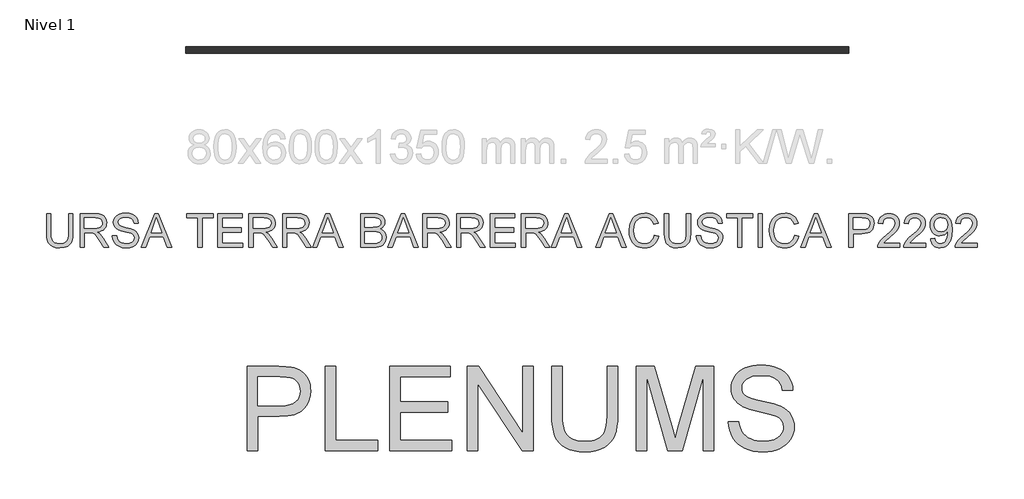
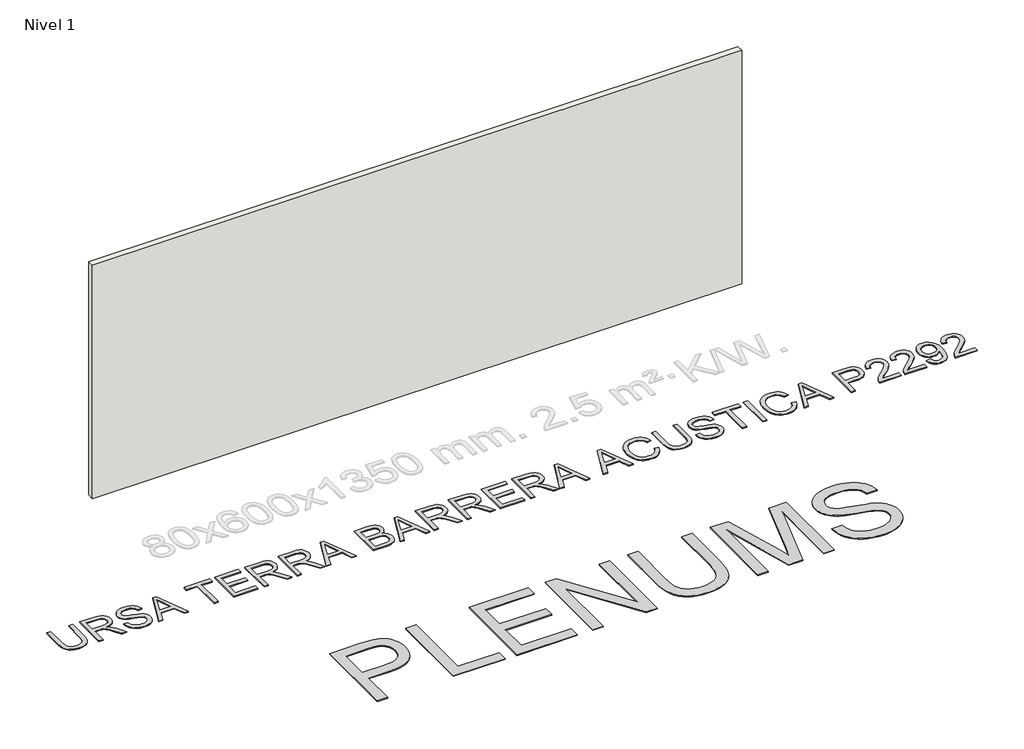
# One storey, part 1 of 2: 2 proxies, 1 wall.
"""IFC4 building model written with IfcOpenShell, lengths in millimetres."""

from ifc_helpers import new_model, si_unit, origin, origin_with_axes, place, context, project, spatial, polyline, outline, extrude, element, save

model = new_model("IFC4")

# Units and contexts
model_context = context("Model", 3, world=origin())
ifc_project = project(units=[si_unit("LENGTHUNIT", "METRE", prefix="MILLI")], contexts=[model_context])

# Site, building, storey
site = spatial("IfcSite", under=ifc_project)
building = spatial("IfcBuilding", under=site)
storey = spatial("IfcBuildingStorey", under=building, Name="Nivel 1", Elevation=0.0)

# Proxies
placement = place(None, origin())
element("IfcBuildingElementProxy", 1, Name="Texto de modelo 1", ObjectType="Texto de modelo 1", at=placement, inside=storey, context=model_context, shape_type="SweptSolid", body=[
    extrude(outline(polyline([(-1624.4306261, 2010.2457876), (-1574.202471, 2010.2457876), (-1574.202471, 1778.4310797), (-1577.6115108, 1724.14396), (-1587.8386303, 1682.3403026), (-1596.0240047, 1665.387074), (-1606.9439686, 1650.0893143), (-1636.9876649, 1624.460202), (-1656.1297914, 1614.6960007), (-1678.0432955, 1607.7215712), (-1730.184437, 1602.1420276), (-1781.1851442, 1606.99807), (-1821.958732, 1621.566197), (-1838.5134218, 1632.3665992), (-1852.5174631, 1645.3436366), (-1863.9708559, 1660.4973091), (-1872.8736002, 1677.8276168), (-1884.3147302, 1721.3971077), (-1888.1284402, 1778.4310797), (-1888.1284402, 2010.2457876), (-1837.9002852, 2010.2457876), (-1837.9002852, 1780.1969133), (-1835.4232131, 1735.0577925), (-1827.9919968, 1703.6284074), (-1814.5275157, 1681.862056), (-1793.9506495, 1665.7120364), (-1767.1197893, 1655.7056461), (-1734.8933265, 1652.3701827), (-1707.2102064, 1654.0195203), (-1683.8067801, 1658.9675331), (-1664.6830477, 1667.2142212), (-1649.8390092, 1678.7595845), (-1638.7228416, 1694.9954432), (-1630.7827219, 1717.3136176), (-1626.01865, 1745.7141076), (-1624.4306261, 1780.1969133), (-1624.4306261, 2010.2457876)])), origin_with_axes(), (0.0, 0.0, 1.0), 10.0),
    extrude(outline(polyline([(-1486.3031996, 1608.420547), (-1486.3031996, 2010.2457876), (-1313.1534072, 2010.2457876), (-1266.6163349, 2007.5357236), (-1232.7589286, 1999.4055315), (-1208.012733, 1984.3959461), (-1188.8092929, 1961.0477021), (-1176.485246, 1932.0953891), (-1172.3772304, 1900.2735965), (-1174.0786847, 1879.6354166), (-1179.1830473, 1860.6894938), (-1187.6903185, 1843.4358283), (-1199.6004981, 1827.8744199), (-1215.0668703, 1814.5019093), (-1234.2427193, 1803.8149374), (-1257.1280451, 1795.813504), (-1283.7228476, 1790.4976092), (-1255.1752048, 1769.0133006), (-1214.4629307, 1717.3136176), (-1147.4593566, 1608.420547), (-1205.8299665, 1608.420547), (-1258.1182608, 1691.7090307), (-1295.8874789, 1746.8422791), (-1309.9283084, 1762.9187222), (-1322.4240335, 1772.8883243), (-1346.3118377, 1782.4532562), (-1375.4480918, 1784.2190898), (-1436.0750446, 1784.2190898), (-1436.0750446, 1608.420547), (-1486.3031996, 1608.420547)]), holes=[polyline([(-1436.0750446, 1834.4472448), (-1323.6503068, 1834.4472448), (-1291.3625304, 1836.2253412), (-1266.3097665, 1841.5596301), (-1247.4496829, 1850.8057309), (-1233.7399472, 1864.3192629), (-1225.3890259, 1880.6654862), (-1222.6053855, 1898.4096611), (-1227.915149, 1922.910602), (-1243.8444394, 1942.6536024), (-1256.006005, 1950.2503656), (-1271.251648, 1955.676625), (-1310.9951662, 1960.0176325), (-1436.0750446, 1960.0176325), (-1436.0750446, 1834.4472448)])]), origin_with_axes(), (0.0, 0.0, 1.0), 10.0),
    extrude(outline(polyline([(-1103.3135172, 1746.5479735), (-1053.0853621, 1746.5479735), (-1047.3218775, 1718.674781), (-1036.8985543, 1696.2707675), (-1020.6381702, 1678.4898044), (-997.3635026, 1664.4857631), (-968.9139616, 1655.3990778), (-937.1289572, 1652.3701827), (-909.1454001, 1654.6633138), (-884.6444593, 1661.5427071), (-864.7910943, 1672.4320142), (-850.7502648, 1686.7548865), (-842.3993435, 1703.1992117), (-839.6157031, 1720.4528773), (-841.7003677, 1737.2650845), (-847.9543616, 1751.7964233), (-860.6585532, 1764.1940465), (-882.0938108, 1774.605107), (-955.2287514, 1793.7840216), (-1003.2373518, 1806.4759505), (-1033.9554984, 1818.5547427), (-1058.9592113, 1835.452789), (-1076.6788607, 1855.9315534), (-1087.237074, 1879.5495775), (-1090.7564784, 1905.8654028), (-1086.4032082, 1935.2836997), (-1073.3433973, 1962.7154338), (-1051.9204025, 1985.9655759), (-1022.4775801, 2002.8390968), (-987.1363831, 2013.1030044), (-948.0182643, 2016.524307), (-905.6382585, 2012.9435889), (-868.5557533, 2002.2014346), (-838.0951241, 1984.5185734), (-815.580746, 1960.1157344), (-801.3314501, 1930.5134965), (-795.6660674, 1897.2324387), (-845.8942224, 1897.2324387), (-855.1157978, 1927.2025586), (-863.4789818, 1939.0606215), (-874.3437634, 1948.8340199), (-904.3874597, 1961.9306189), (-946.056227, 1966.2961519), (-988.706013, 1961.9796698), (-1005.0093167, 1956.5840672), (-1017.9648943, 1949.0302236), (-1034.8874661, 1929.9739363), (-1040.5283234, 1907.3369308), (-1036.5306723, 1888.0353888), (-1024.5377193, 1872.5107686), (-996.1862802, 1858.6293547), (-942.5245598, 1844.4536351), (-887.1460568, 1830.9891541), (-853.6442698, 1819.2414557), (-825.0107878, 1801.0190342), (-805.0347955, 1778.5291816), (-793.2993599, 1752.0171525), (-789.387548, 1721.7282015), (-793.8879711, 1690.7648003), (-807.3892403, 1661.640809), (-829.3395327, 1636.5757824), (-859.1870252, 1617.7892752), (-895.0800452, 1606.0538395), (-935.1669199, 1602.1420276), (-984.3772682, 1606.3604078), (-1024.8810758, 1619.0155485), (-1057.1443268, 1640.1565005), (-1081.633005, 1669.8323147), (-1097.3538289, 1705.9828521), (-1103.3135172, 1746.5479735)])), origin_with_axes(), (0.0, 0.0, 1.0), 10.0),
    extrude(outline(polyline([(-760.8399052, 1608.420547), (-600.4433553, 2010.2457876), (-557.670942, 2010.2457876), (-397.2743921, 1608.420547), (-450.3475012, 1608.420547), (-496.3572761, 1733.9909347), (-661.855123, 1733.9909347), (-707.766796, 1608.420547), (-760.8399052, 1608.420547)]), holes=[polyline([(-643.4119723, 1784.2190898), (-514.7023249, 1784.2190898), (-550.9019132, 1883.0076682), (-579.0571486, 1960.0176325), (-604.0731243, 1891.6406324), (-643.4119723, 1784.2190898)])]), origin_with_axes(), (0.0, 0.0, 1.0), 10.0),
    extrude(outline(polyline([(-86.1933769, 1608.420547), (-86.1933769, 1960.0176325), (-218.042284, 1960.0176325), (-218.042284, 2010.2457876), (95.8836852, 2010.2457876), (95.8836852, 1960.0176325), (-35.9652219, 1960.0176325), (-35.9652219, 1608.420547), (-86.1933769, 1608.420547)])), origin_with_axes(), (0.0, 0.0, 1.0), 10.0),
    extrude(outline(polyline([(152.3903597, 1608.420547), (152.3903597, 2010.2457876), (441.2022513, 2010.2457876), (441.2022513, 1960.0176325), (202.6185147, 1960.0176325), (202.6185147, 1840.7257642), (428.6452126, 1840.7257642), (428.6452126, 1790.4976092), (202.6185147, 1790.4976092), (202.6185147, 1658.6487021), (447.4807707, 1658.6487021), (447.4807707, 1608.420547), (152.3903597, 1608.420547)])), origin_with_axes(), (0.0, 0.0, 1.0), 10.0),
    extrude(outline(polyline([(522.8230033, 1608.420547), (522.8230033, 2010.2457876), (695.9727957, 2010.2457876), (742.5098681, 2007.5357236), (776.3672744, 1999.4055315), (801.11347, 1984.3959461), (820.3169101, 1961.0477021), (832.640957, 1932.0953891), (836.7489726, 1900.2735965), (835.0475183, 1879.6354166), (829.9431557, 1860.6894938), (821.4358845, 1843.4358283), (809.5257049, 1827.8744199), (794.0593327, 1814.5019093), (774.8834837, 1803.8149374), (751.9981579, 1795.813504), (725.4033554, 1790.4976092), (753.9509982, 1769.0133006), (794.6632723, 1717.3136176), (861.6668464, 1608.420547), (803.2962365, 1608.420547), (751.0079422, 1691.7090307), (713.238724, 1746.8422791), (699.1978946, 1762.9187222), (686.7021695, 1772.8883243), (662.8143652, 1782.4532562), (633.6781112, 1784.2190898), (573.0511584, 1784.2190898), (573.0511584, 1608.420547), (522.8230033, 1608.420547)]), holes=[polyline([(573.0511584, 1834.4472448), (685.4758961, 1834.4472448), (717.7636726, 1836.2253412), (742.8164365, 1841.5596301), (761.6765201, 1850.8057309), (775.3862558, 1864.3192629), (783.7371771, 1880.6654862), (786.5208175, 1898.4096611), (781.211054, 1922.910602), (765.2817636, 1942.6536024), (753.120198, 1950.2503656), (737.874555, 1955.676625), (698.1310368, 1960.0176325), (573.0511584, 1960.0176325), (573.0511584, 1834.4472448)])]), origin_with_axes(), (0.0, 0.0, 1.0), 10.0),
    extrude(outline(polyline([(924.6482439, 1608.420547), (924.6482439, 2010.2457876), (1097.7980363, 2010.2457876), (1144.3351087, 2007.5357236), (1178.192515, 1999.4055315), (1202.9387106, 1984.3959461), (1222.1421507, 1961.0477021), (1234.4661975, 1932.0953891), (1238.5742132, 1900.2735965), (1236.8727589, 1879.6354166), (1231.7683963, 1860.6894938), (1223.2611251, 1843.4358283), (1211.3509455, 1827.8744199), (1195.8845733, 1814.5019093), (1176.7087243, 1803.8149374), (1153.8233985, 1795.813504), (1127.228596, 1790.4976092), (1155.7762388, 1769.0133006), (1196.4885129, 1717.3136176), (1263.492087, 1608.420547), (1205.1214771, 1608.420547), (1152.8331828, 1691.7090307), (1115.0639646, 1746.8422791), (1101.0231352, 1762.9187222), (1088.5274101, 1772.8883243), (1064.6396058, 1782.4532562), (1035.5033518, 1784.2190898), (974.876399, 1784.2190898), (974.876399, 1608.420547), (924.6482439, 1608.420547)]), holes=[polyline([(974.876399, 1834.4472448), (1087.3011367, 1834.4472448), (1119.5889132, 1836.2253412), (1144.6416771, 1841.5596301), (1163.5017607, 1850.8057309), (1177.2114964, 1864.3192629), (1185.5624177, 1880.6654862), (1188.3460581, 1898.4096611), (1183.0362946, 1922.910602), (1167.1070042, 1942.6536024), (1154.9454386, 1950.2503656), (1139.6997956, 1955.676625), (1099.9562774, 1960.0176325), (974.876399, 1960.0176325), (974.876399, 1834.4472448)])]), origin_with_axes(), (0.0, 0.0, 1.0), 10.0),
    extrude(outline(polyline([(1279.6788948, 1608.420547), (1440.0754447, 2010.2457876), (1482.847858, 2010.2457876), (1643.2444079, 1608.420547), (1590.1712987, 1608.420547), (1544.1615238, 1733.9909347), (1378.6636769, 1733.9909347), (1332.7520039, 1608.420547), (1279.6788948, 1608.420547)]), holes=[polyline([(1397.1068276, 1784.2190898), (1525.816475, 1784.2190898), (1489.6168867, 1883.0076682), (1461.4616513, 1960.0176325), (1436.4456756, 1891.6406324), (1397.1068276, 1784.2190898)])]), origin_with_axes(), (0.0, 0.0, 1.0), 10.0),
    extrude(outline(polyline([(1853.8691128, 1608.420547), (1853.8691128, 2010.2457876), (2007.2023284, 2010.2457876), (2049.3738678, 2007.2904689), (2082.2993064, 1998.4245128), (2107.5360112, 1983.4271902), (2126.6413495, 1962.0777717), (2138.6710908, 1936.9636942), (2142.6810045, 1910.6723942), (2139.3087529, 1886.4780217), (2129.191998, 1863.7306517), (2112.2571635, 1843.8282357), (2088.430673, 1828.1687255), (2116.8924766, 1813.3062929), (2137.923064, 1790.6938129), (2150.9092985, 1761.827339), (2155.2380433, 1728.2029246), (2152.2827246, 1700.1825793), (2143.4167685, 1674.1978477), (2130.1852794, 1652.1004026), (2114.1333617, 1635.7419165), (2094.4762004, 1623.8961163), (2070.4289807, 1615.3367285), (2041.2068875, 1610.1495924), (2006.025106, 1608.420547), (1853.8691128, 1608.420547)]), holes=[polyline([(1904.0972679, 1847.0042836), (1995.822512, 1847.0042836), (2049.3861305, 1851.3207657), (2068.1358496, 1858.7642447), (2081.6125933, 1869.9110692), (2089.7427854, 1884.5895608), (2092.4528494, 1902.6280413), (2089.9267264, 1920.1392243), (2082.3483573, 1935.3940643), (2070.0610987, 1947.3011782), (2053.408307, 1954.7691827), (2027.8527711, 1958.7055201), (1988.8572796, 1960.0176325), (1904.0972679, 1960.0176325), (1904.0972679, 1847.0042836)]), polyline([(1904.0972679, 1658.6487021), (2007.1042266, 1658.6487021), (2044.3829354, 1660.6107394), (2075.9226851, 1671.5490974), (2087.4987052, 1680.9791392), (2096.8183824, 1693.8672718), (2102.9620118, 1709.6371466), (2105.0098882, 1727.7124153), (2102.6063925, 1748.7062145), (2095.3959054, 1766.7569577), (2082.8020784, 1780.8713636), (2064.2485631, 1790.0561508), (2037.9695259, 1795.0961341), (2002.1991333, 1796.7761285), (1904.0972679, 1796.7761285), (1904.0972679, 1658.6487021)])]), origin_with_axes(), (0.0, 0.0, 1.0), 10.0),
    extrude(outline(polyline([(2177.5071667, 1608.420547), (2337.9037166, 2010.2457876), (2380.6761299, 2010.2457876), (2541.0726798, 1608.420547), (2487.9995706, 1608.420547), (2441.9897958, 1733.9909347), (2276.4919489, 1733.9909347), (2230.5802759, 1608.420547), (2177.5071667, 1608.420547)]), holes=[polyline([(2294.9350996, 1784.2190898), (2423.644747, 1784.2190898), (2387.4451586, 1883.0076682), (2359.2899233, 1960.0176325), (2334.2739476, 1891.6406324), (2294.9350996, 1784.2190898)])]), origin_with_axes(), (0.0, 0.0, 1.0), 10.0),
    extrude(outline(polyline([(2594.7344002, 1608.420547), (2594.7344002, 2010.2457876), (2767.8841926, 2010.2457876), (2814.421265, 2007.5357236), (2848.2786713, 1999.4055315), (2873.0248668, 1984.3959461), (2892.2283069, 1961.0477021), (2904.5523538, 1932.0953891), (2908.6603694, 1900.2735965), (2906.9589152, 1879.6354166), (2901.8545525, 1860.6894938), (2893.3472814, 1843.4358283), (2881.4371018, 1827.8744199), (2865.9707295, 1814.5019093), (2846.7948805, 1803.8149374), (2823.9095548, 1795.813504), (2797.3147522, 1790.4976092), (2825.862395, 1769.0133006), (2866.5746692, 1717.3136176), (2933.5782432, 1608.420547), (2875.2076333, 1608.420547), (2822.9193391, 1691.7090307), (2785.1501209, 1746.8422791), (2771.1092914, 1762.9187222), (2758.6135663, 1772.8883243), (2734.7257621, 1782.4532562), (2705.5895081, 1784.2190898), (2644.9625553, 1784.2190898), (2644.9625553, 1608.420547), (2594.7344002, 1608.420547)]), holes=[polyline([(2644.9625553, 1834.4472448), (2757.387293, 1834.4472448), (2789.6750694, 1836.2253412), (2814.7278333, 1841.5596301), (2833.5879169, 1850.8057309), (2847.2976526, 1864.3192629), (2855.6485739, 1880.6654862), (2858.4322143, 1898.4096611), (2853.1224509, 1922.910602), (2837.1931605, 1942.6536024), (2825.0315948, 1950.2503656), (2809.7859518, 1955.676625), (2770.0424336, 1960.0176325), (2644.9625553, 1960.0176325), (2644.9625553, 1834.4472448)])]), origin_with_axes(), (0.0, 0.0, 1.0), 10.0),
    extrude(outline(polyline([(2996.5596408, 1608.420547), (2996.5596408, 2010.2457876), (3169.7094332, 2010.2457876), (3216.2465056, 2007.5357236), (3250.1039119, 1999.4055315), (3274.8501074, 1984.3959461), (3294.0535475, 1961.0477021), (3306.3775944, 1932.0953891), (3310.48561, 1900.2735965), (3308.7841558, 1879.6354166), (3303.6797931, 1860.6894938), (3295.1725219, 1843.4358283), (3283.2623424, 1827.8744199), (3267.7959701, 1814.5019093), (3248.6201211, 1803.8149374), (3225.7347954, 1795.813504), (3199.1399928, 1790.4976092), (3227.6876356, 1769.0133006), (3268.3999097, 1717.3136176), (3335.4034838, 1608.420547), (3277.0328739, 1608.420547), (3224.7445797, 1691.7090307), (3186.9753615, 1746.8422791), (3172.934532, 1762.9187222), (3160.4388069, 1772.8883243), (3136.5510027, 1782.4532562), (3107.4147487, 1784.2190898), (3046.7877959, 1784.2190898), (3046.7877959, 1608.420547), (2996.5596408, 1608.420547)]), holes=[polyline([(3046.7877959, 1834.4472448), (3159.2125336, 1834.4472448), (3191.50031, 1836.2253412), (3216.5530739, 1841.5596301), (3235.4131575, 1850.8057309), (3249.1228932, 1864.3192629), (3257.4738145, 1880.6654862), (3260.2574549, 1898.4096611), (3254.9476915, 1922.910602), (3239.0184011, 1942.6536024), (3226.8568354, 1950.2503656), (3211.6111924, 1955.676625), (3171.8676742, 1960.0176325), (3046.7877959, 1960.0176325), (3046.7877959, 1834.4472448)])]), origin_with_axes(), (0.0, 0.0, 1.0), 10.0),
    extrude(outline(polyline([(3398.3848814, 1608.420547), (3398.3848814, 2010.2457876), (3687.1967731, 2010.2457876), (3687.1967731, 1960.0176325), (3448.6130365, 1960.0176325), (3448.6130365, 1840.7257642), (3674.6397343, 1840.7257642), (3674.6397343, 1790.4976092), (3448.6130365, 1790.4976092), (3448.6130365, 1658.6487021), (3693.4752924, 1658.6487021), (3693.4752924, 1608.420547), (3398.3848814, 1608.420547)])), origin_with_axes(), (0.0, 0.0, 1.0), 10.0),
    extrude(outline(polyline([(3768.8175251, 1608.420547), (3768.8175251, 2010.2457876), (3941.9673175, 2010.2457876), (3988.5043898, 2007.5357236), (4022.3617961, 1999.4055315), (4047.1079917, 1984.3959461), (4066.3114318, 1961.0477021), (4078.6354787, 1932.0953891), (4082.7434943, 1900.2735965), (4081.04204, 1879.6354166), (4075.9376774, 1860.6894938), (4067.4304062, 1843.4358283), (4055.5202266, 1827.8744199), (4040.0538544, 1814.5019093), (4020.8780054, 1803.8149374), (3997.9926796, 1795.813504), (3971.3978771, 1790.4976092), (3999.9455199, 1769.0133006), (4040.657794, 1717.3136176), (4107.6613681, 1608.420547), (4049.2907582, 1608.420547), (3997.0024639, 1691.7090307), (3959.2332458, 1746.8422791), (3945.1924163, 1762.9187222), (3932.6966912, 1772.8883243), (3908.808887, 1782.4532562), (3879.6726329, 1784.2190898), (3819.0456801, 1784.2190898), (3819.0456801, 1608.420547), (3768.8175251, 1608.420547)]), holes=[polyline([(3819.0456801, 1834.4472448), (3931.4704179, 1834.4472448), (3963.7581943, 1836.2253412), (3988.8109582, 1841.5596301), (4007.6710418, 1850.8057309), (4021.3807775, 1864.3192629), (4029.7316988, 1880.6654862), (4032.5153392, 1898.4096611), (4027.2055757, 1922.910602), (4011.2762853, 1942.6536024), (3999.1147197, 1950.2503656), (3983.8690767, 1955.676625), (3944.1255585, 1960.0176325), (3819.0456801, 1960.0176325), (3819.0456801, 1834.4472448)])]), origin_with_axes(), (0.0, 0.0, 1.0), 10.0),
    extrude(outline(polyline([(4123.8481759, 1608.420547), (4284.2447258, 2010.2457876), (4327.0171391, 2010.2457876), (4487.413689, 1608.420547), (4434.3405798, 1608.420547), (4388.3308049, 1733.9909347), (4222.832958, 1733.9909347), (4176.921285, 1608.420547), (4123.8481759, 1608.420547)]), holes=[polyline([(4241.2761087, 1784.2190898), (4369.9857561, 1784.2190898), (4333.7861678, 1883.0076682), (4305.6309324, 1960.0176325), (4280.6149567, 1891.6406324), (4241.2761087, 1784.2190898)])]), origin_with_axes(), (0.0, 0.0, 1.0), 10.0),
    extrude(outline(polyline([(4651.2438042, 1608.420547), (4811.640354, 2010.2457876), (4854.4127674, 2010.2457876), (5014.8093173, 1608.420547), (4961.7362081, 1608.420547), (4915.7264332, 1733.9909347), (4750.2285863, 1733.9909347), (4704.3169133, 1608.420547), (4651.2438042, 1608.420547)]), holes=[polyline([(4768.671737, 1784.2190898), (4897.3813844, 1784.2190898), (4861.1817961, 1883.0076682), (4833.0265607, 1960.0176325), (4808.010585, 1891.6406324), (4768.671737, 1784.2190898)])]), origin_with_axes(), (0.0, 0.0, 1.0), 10.0),
    extrude(outline(polyline([(5351.0044099, 1751.256863), (5401.232565, 1738.3074168), (5391.2936198, 1707.0711697), (5378.0559993, 1679.7773913), (5361.5197036, 1656.4260817), (5341.6847327, 1637.0172408), (5318.9986763, 1621.759335), (5293.9091243, 1610.8608309), (5266.4160765, 1604.3217284), (5236.519533, 1602.1420276), (5205.8902912, 1603.7913652), (5178.2592877, 1608.7393781), (5153.6265224, 1616.9860661), (5131.9919954, 1628.5314294), (5113.0583354, 1643.2037897), (5096.5281711, 1660.8314686), (5082.4015025, 1681.4144662), (5070.6783296, 1704.9527825), (5054.896192, 1756.8241439), (5049.6354795, 1812.3743251), (5055.5829051, 1870.9656642), (5063.017187, 1897.2630955), (5073.4251818, 1921.5617013), (5086.5738975, 1943.4598771), (5102.230342, 1962.5560183), (5120.3945156, 1978.850125), (5141.066418, 1992.3421972), (5163.5440079, 2002.9218702), (5187.1252438, 2010.4787795), (5237.5986535, 2016.524307), (5266.3271717, 2014.568401), (5292.6705882, 2008.7006832), (5316.6289031, 1998.9211535), (5338.2021165, 1985.2298119), (5357.0346089, 1967.9884091), (5372.7707613, 1947.5586956), (5385.4105735, 1923.9406715), (5394.9540456, 1897.1343368), (5344.7258905, 1885.1659092), (5327.3128094, 1921.7946932), (5303.5231071, 1946.9210335), (5273.0624779, 1961.4523723), (5235.6366162, 1966.2961519), (5192.4963209, 1960.9250748), (5173.8140469, 1954.2112284), (5157.0570221, 1944.8118434), (5130.1648482, 1919.6487149), (5112.665928, 1887.1279466), (5103.0642079, 1850.3642725), (5099.8636345, 1812.472427), (5103.6528191, 1766.0702447), (5115.0203727, 1725.9465817), (5134.3954912, 1693.6342798), (5162.20737, 1670.6661806), (5195.5497415, 1656.9441822), (5231.5163379, 1652.3701827), (5253.3532, 1653.9275498), (5273.4426226, 1658.5996512), (5291.7846057, 1666.3864867), (5308.3791494, 1677.2880565), (5322.8338461, 1691.2553096), (5334.7562885, 1708.239195), (5344.1464764, 1728.2397128), (5351.0044099, 1751.256863)])), origin_with_axes(), (0.0, 0.0, 1.0), 10.0),
    extrude(outline(polyline([(5733.9940924, 2010.2457876), (5784.2222474, 2010.2457876), (5784.2222474, 1778.4310797), (5780.8132076, 1724.14396), (5770.5860881, 1682.3403026), (5762.4007138, 1665.387074), (5751.4807499, 1650.0893143), (5721.4370536, 1624.460202), (5702.2949271, 1614.6960007), (5680.3814229, 1607.7215712), (5628.2402815, 1602.1420276), (5577.2395742, 1606.99807), (5536.4659864, 1621.566197), (5519.9112966, 1632.3665992), (5505.9072553, 1645.3436366), (5494.4538626, 1660.4973091), (5485.5511183, 1677.8276168), (5474.1099882, 1721.3971077), (5470.2962782, 1778.4310797), (5470.2962782, 2010.2457876), (5520.5244333, 2010.2457876), (5520.5244333, 1780.1969133), (5523.0015054, 1735.0577925), (5530.4327217, 1703.6284074), (5543.8972027, 1681.862056), (5564.474069, 1665.7120364), (5591.3049292, 1655.7056461), (5623.5313919, 1652.3701827), (5651.2145121, 1654.0195203), (5674.6179383, 1658.9675331), (5693.7416707, 1667.2142212), (5708.5857092, 1678.7595845), (5719.7018768, 1694.9954432), (5727.6419966, 1717.3136176), (5732.4060684, 1745.7141076), (5733.9940924, 1780.1969133), (5733.9940924, 2010.2457876)])), origin_with_axes(), (0.0, 0.0, 1.0), 10.0),
    extrude(outline(polyline([(5853.2859607, 1746.5479735), (5903.5141157, 1746.5479735), (5909.2776003, 1718.674781), (5919.7009235, 1696.2707675), (5935.9613077, 1678.4898044), (5959.2359753, 1664.4857631), (5987.6855162, 1655.3990778), (6019.4705206, 1652.3701827), (6047.4540777, 1654.6633138), (6071.9550186, 1661.5427071), (6091.8083836, 1672.4320142), (6105.8492131, 1686.7548865), (6114.2001344, 1703.1992117), (6116.9837748, 1720.4528773), (6114.8991102, 1737.2650845), (6108.6451162, 1751.7964233), (6095.9409247, 1764.1940465), (6074.5056671, 1774.605107), (6001.3707265, 1793.7840216), (5953.3621261, 1806.4759505), (5922.6439795, 1818.5547427), (5897.6402665, 1835.452789), (5879.9206171, 1855.9315534), (5869.3624038, 1879.5495775), (5865.8429994, 1905.8654028), (5870.1962697, 1935.2836997), (5883.2560805, 1962.7154338), (5904.6790754, 1985.9655759), (5934.1218977, 2002.8390968), (5969.4630947, 2013.1030044), (6008.5812136, 2016.524307), (6050.9612194, 2012.9435889), (6088.0437245, 2002.2014346), (6118.5043537, 1984.5185734), (6141.0187318, 1960.1157344), (6155.2680278, 1930.5134965), (6160.9334105, 1897.2324387), (6110.7052554, 1897.2324387), (6101.4836801, 1927.2025586), (6093.120496, 1939.0606215), (6082.2557145, 1948.8340199), (6052.2120182, 1961.9306189), (6010.5432509, 1966.2961519), (5967.8934649, 1961.9796698), (5951.5901611, 1956.5840672), (5938.6345835, 1949.0302236), (5921.7120118, 1929.9739363), (5916.0711545, 1907.3369308), (5920.0688055, 1888.0353888), (5932.0617586, 1872.5107686), (5960.4131977, 1858.6293547), (6014.074918, 1844.4536351), (6069.453421, 1830.9891541), (6102.9552081, 1819.2414557), (6131.58869, 1801.0190342), (6151.5646823, 1778.5291816), (6163.300118, 1752.0171525), (6167.2119299, 1721.7282015), (6162.7115068, 1690.7648003), (6149.2102376, 1661.640809), (6127.2599452, 1636.5757824), (6097.4124527, 1617.7892752), (6061.5194327, 1606.0538395), (6021.4325579, 1602.1420276), (5972.2222097, 1606.3604078), (5931.718402, 1619.0155485), (5899.4551511, 1640.1565005), (5874.9664729, 1669.8323147), (5859.245649, 1705.9828521), (5853.2859607, 1746.5479735)])), origin_with_axes(), (0.0, 0.0, 1.0), 10.0),
    extrude(outline(polyline([(6343.0104726, 1608.420547), (6343.0104726, 1960.0176325), (6211.1615656, 1960.0176325), (6211.1615656, 2010.2457876), (6525.0875348, 2010.2457876), (6525.0875348, 1960.0176325), (6393.2386277, 1960.0176325), (6393.2386277, 1608.420547), (6343.0104726, 1608.420547)])), origin_with_axes(), (0.0, 0.0, 1.0), 10.0),
    extrude(outline(polyline([(6587.8727286, 1608.420547), (6587.8727286, 2010.2457876), (6638.1008837, 2010.2457876), (6638.1008837, 1608.420547), (6587.8727286, 1608.420547)])), origin_with_axes(), (0.0, 0.0, 1.0), 10.0),
    extrude(outline(polyline([(7021.0905661, 1751.256863), (7071.3187212, 1738.3074168), (7061.379776, 1707.0711697), (7048.1421555, 1679.7773913), (7031.6058598, 1656.4260817), (7011.7708889, 1637.0172408), (6989.0848326, 1621.759335), (6963.9952805, 1610.8608309), (6936.5022327, 1604.3217284), (6906.6056893, 1602.1420276), (6875.9764475, 1603.7913652), (6848.3454439, 1608.7393781), (6823.7126787, 1616.9860661), (6802.0781517, 1628.5314294), (6783.1444917, 1643.2037897), (6766.6143274, 1660.8314686), (6752.4876587, 1681.4144662), (6740.7644858, 1704.9527825), (6724.9823482, 1756.8241439), (6719.7216357, 1812.3743251), (6725.6690613, 1870.9656642), (6733.1033433, 1897.2630955), (6743.5113381, 1921.5617013), (6756.6600537, 1943.4598771), (6772.3164983, 1962.5560183), (6790.4806718, 1978.850125), (6811.1525742, 1992.3421972), (6833.6301641, 2002.9218702), (6857.2114, 2010.4787795), (6907.6848098, 2016.524307), (6936.4133279, 2014.568401), (6962.7567444, 2008.7006832), (6986.7150594, 1998.9211535), (7008.2882727, 1985.2298119), (7027.1207652, 1967.9884091), (7042.8569175, 1947.5586956), (7055.4967297, 1923.9406715), (7065.0402018, 1897.1343368), (7014.8120468, 1885.1659092), (6997.3989657, 1921.7946932), (6973.6092633, 1946.9210335), (6943.1486341, 1961.4523723), (6905.7227725, 1966.2961519), (6862.5824772, 1960.9250748), (6843.9002032, 1954.2112284), (6827.1431783, 1944.8118434), (6800.2510044, 1919.6487149), (6782.7520842, 1887.1279466), (6773.1503641, 1850.3642725), (6769.9497908, 1812.472427), (6773.7389753, 1766.0702447), (6785.106529, 1725.9465817), (6804.4816474, 1693.6342798), (6832.2935262, 1670.6661806), (6865.6358977, 1656.9441822), (6901.6024941, 1652.3701827), (6923.4393562, 1653.9275498), (6943.5287788, 1658.5996512), (6961.870762, 1666.3864867), (6978.4653056, 1677.2880565), (6992.9200024, 1691.2553096), (7004.8424447, 1708.239195), (7014.2326326, 1728.2397128), (7021.0905661, 1751.256863)])), origin_with_axes(), (0.0, 0.0, 1.0), 10.0),
    extrude(outline(polyline([(7093.5878447, 1608.420547), (7253.9843946, 2010.2457876), (7296.7568079, 2010.2457876), (7457.1533578, 1608.420547), (7404.0802486, 1608.420547), (7358.0704737, 1733.9909347), (7192.5726268, 1733.9909347), (7146.6609538, 1608.420547), (7093.5878447, 1608.420547)]), holes=[polyline([(7211.0157775, 1784.2190898), (7339.7254249, 1784.2190898), (7303.5258366, 1883.0076682), (7275.3706012, 1960.0176325), (7250.3546255, 1891.6406324), (7211.0157775, 1784.2190898)])]), origin_with_axes(), (0.0, 0.0, 1.0), 10.0),
    extrude(outline(polyline([(7667.7780627, 1608.420547), (7667.7780627, 2010.2457876), (7816.6966944, 2010.2457876), (7876.735036, 2006.4198149), (7903.5045825, 1999.2706414), (7925.540714, 1987.6333076), (7943.2848889, 1970.980516), (7957.1785656, 1948.7849689), (7966.1548863, 1922.6040336), (7969.1469932, 1893.9950771), (7967.1267079, 1869.3285894), (7961.065852, 1846.6364016), (7950.9644256, 1825.9185139), (7936.8224285, 1807.1749263), (7917.4074562, 1791.6380433), (7891.487104, 1780.5402698), (7859.0613718, 1773.8816057), (7820.1302597, 1771.662051), (7718.0062178, 1771.662051), (7718.0062178, 1608.420547), (7667.7780627, 1608.420547)]), holes=[polyline([(7718.0062178, 1821.8902061), (7823.0733156, 1821.8902061), (7867.6115625, 1826.5009937), (7884.2153032, 1832.2644783), (7897.0421221, 1840.3333568), (7906.6131854, 1850.4930312), (7913.4496591, 1862.5289038), (7918.9188381, 1892.2292436), (7915.6937393, 1914.7926726), (7906.0184428, 1933.8244345), (7891.0946965, 1948.1473068), (7872.1242483, 1956.5840672), (7821.8960932, 1960.0176325), (7718.0062178, 1960.0176325), (7718.0062178, 1821.8902061)])]), origin_with_axes(), (0.0, 0.0, 1.0), 10.0),
    extrude(outline(polyline([(8276.794443, 1658.6487021), (8276.794443, 1608.420547), (8013.0966289, 1608.420547), (8014.2002749, 1626.1034082), (8018.4922315, 1643.0505055), (8030.877592, 1670.1143576), (8049.0019116, 1696.3688693), (8075.2196351, 1723.8496544), (8111.8852073, 1754.5923264), (8166.0864879, 1802.7358169), (8198.6072563, 1838.2732176), (8214.8676405, 1867.115166), (8220.2877686, 1895.1722995), (8215.1742088, 1920.3231653), (8199.8335296, 1941.2311253), (8176.2522937, 1955.3210057), (8146.4170639, 1960.0176325), (8115.0857807, 1955.4313703), (8090.7442553, 1941.6725837), (8075.0356941, 1919.8203932), (8069.6033033, 1890.9539193), (8019.3751483, 1897.2324387), (8023.694696, 1923.161988), (8031.5520423, 1945.8173875), (8042.9471871, 1965.1986373), (8057.8801304, 1981.3057373), (8076.0075157, 1993.9670093), (8096.9859865, 2003.010775), (8120.8155427, 2008.4370345), (8147.4961844, 2010.2457876), (8174.4159494, 2008.2346994), (8198.3742644, 2002.2014346), (8219.3711293, 1992.1459934), (8237.4065441, 1978.0683758), (8251.8918976, 1961.0109139), (8262.2385787, 1942.0159402), (8268.4465874, 1921.0834547), (8270.5159236, 1898.2134573), (8268.2841062, 1874.1907631), (8261.5886539, 1850.5850017), (8249.7060654, 1826.5745701), (8231.9128396, 1801.3378653), (8203.5491378, 1771.2083299), (8159.9551214, 1732.5194067), (8102.1731226, 1684.204238), (8079.5115917, 1658.6487021), (8276.794443, 1658.6487021)])), origin_with_axes(), (0.0, 0.0, 1.0), 10.0),
    extrude(outline(polyline([(8584.4418929, 1658.6487021), (8584.4418929, 1608.420547), (8320.7440787, 1608.420547), (8321.8477247, 1626.1034082), (8326.1396813, 1643.0505055), (8338.5250418, 1670.1143576), (8356.6493614, 1696.3688693), (8382.867085, 1723.8496544), (8419.5326571, 1754.5923264), (8473.7339378, 1802.7358169), (8506.2547061, 1838.2732176), (8522.5150903, 1867.115166), (8527.9352184, 1895.1722995), (8522.8216587, 1920.3231653), (8507.4809795, 1941.2311253), (8483.8997436, 1955.3210057), (8454.0645138, 1960.0176325), (8422.7332305, 1955.4313703), (8398.3917052, 1941.6725837), (8382.683144, 1919.8203932), (8377.2507532, 1890.9539193), (8327.0225981, 1897.2324387), (8331.3421459, 1923.161988), (8339.1994921, 1945.8173875), (8350.5946369, 1965.1986373), (8365.5275803, 1981.3057373), (8383.6549656, 1993.9670093), (8404.6334363, 2003.010775), (8428.4629926, 2008.4370345), (8455.1436343, 2010.2457876), (8482.0633993, 2008.2346994), (8506.0217142, 2002.2014346), (8527.0185791, 1992.1459934), (8545.0539939, 1978.0683758), (8559.5393475, 1961.0109139), (8569.8860286, 1942.0159402), (8576.0940372, 1921.0834547), (8578.1633735, 1898.2134573), (8575.931556, 1874.1907631), (8569.2361037, 1850.5850017), (8557.3535153, 1826.5745701), (8539.5602894, 1801.3378653), (8511.1965876, 1771.2083299), (8467.6025712, 1732.5194067), (8409.8205725, 1684.204238), (8387.1590416, 1658.6487021), (8584.4418929, 1658.6487021)])), origin_with_axes(), (0.0, 0.0, 1.0), 10.0),
    extrude(outline(polyline([(8640.9485673, 1708.8768572), (8691.1767224, 1715.1553765), (8699.7606356, 1686.6445219), (8713.7401514, 1667.2326153), (8732.7719133, 1656.0857908), (8756.5125647, 1652.3701827), (8777.8129323, 1654.7614157), (8797.1757879, 1661.9351146), (8813.2644939, 1673.1064645), (8824.7424121, 1687.4906505), (8841.1744746, 1731.1459806), (8846.6191281, 1759.5464706), (8848.4340126, 1789.4184886), (8848.139707, 1799.2286752), (8830.7388886, 1777.9896213), (8807.9669931, 1761.1651514), (8781.4672267, 1750.2022679), (8752.8827957, 1746.5479735), (8729.0225826, 1748.7797909), (8707.0814873, 1755.4752432), (8687.0595097, 1766.6343304), (8668.9566499, 1782.2570525), (8653.9562615, 1801.5279376), (8643.2416984, 1823.6315142), (8636.8129605, 1848.5677821), (8634.6700479, 1876.3367414), (8636.9171938, 1905.031537), (8643.6586313, 1930.7832766), (8654.8943606, 1953.5919603), (8670.6243816, 1973.4575881), (8689.7389169, 1989.5524254), (8711.1281893, 2001.0487377), (8734.7921986, 2007.9465251), (8760.7309449, 2010.2457876), (8798.1935948, 2004.9973378), (8832.2962557, 1989.2519884), (8860.8193731, 1963.7945543), (8881.5433922, 1929.4098505), (8894.1617446, 1881.8794968), (8898.3678621, 1816.9851128), (8894.1740073, 1748.178917), (8881.5924431, 1694.9954432), (8860.733534, 1655.0311958), (8847.2414618, 1639.1049711), (8831.7076445, 1625.882679), (8814.4447819, 1615.496144), (8795.7655736, 1608.0771905), (8754.15812, 1602.1420276), (8731.6008223, 1603.8925328), (8711.2140284, 1609.1440483), (8692.9977383, 1617.8965741), (8676.9519519, 1630.1501102), (8663.4813395, 1645.5735628), (8652.9905713, 1663.8358382), (8645.4796472, 1684.9369363), (8640.9485673, 1708.8768572)]), holes=[polyline([(8848.139707, 1877.5139637), (8842.7195789, 1911.555311), (8835.9444189, 1925.6329287), (8826.4591947, 1937.7485091), (8814.7298905, 1947.4912506), (8801.2224899, 1954.4503517), (8768.8733998, 1960.0176325), (8751.2641149, 1958.5185134), (8735.3225618, 1954.021156), (8721.0487404, 1946.5255604), (8708.4426507, 1936.0317264), (8698.1419548, 1923.1527909), (8690.7843149, 1908.5018905), (8686.369731, 1892.0790251), (8684.898203, 1873.8841947), (8690.4654839, 1842.8472171), (8697.4245849, 1829.7291583), (8707.1673264, 1818.2113861), (8719.2890382, 1808.8334609), (8733.38505, 1802.1349429), (8767.4999737, 1796.7761285), (8799.5915464, 1802.1349429), (8825.4291252, 1818.2113861), (8835.3650047, 1829.9560188), (8842.4620615, 1843.7546593), (8848.139707, 1877.5139637)])]), origin_with_axes(), (0.0, 0.0, 1.0), 10.0),
    extrude(outline(polyline([(9199.7367925, 1658.6487021), (9199.7367925, 1608.420547), (8936.0389784, 1608.420547), (8937.1426244, 1626.1034082), (8941.434581, 1643.0505055), (8953.8199415, 1670.1143576), (8971.9442611, 1696.3688693), (8998.1619846, 1723.8496544), (9034.8275568, 1754.5923264), (9089.0288374, 1802.7358169), (9121.5496058, 1838.2732176), (9137.80999, 1867.115166), (9143.2301181, 1895.1722995), (9138.1165583, 1920.3231653), (9122.7758791, 1941.2311253), (9099.1946432, 1955.3210057), (9069.3594134, 1960.0176325), (9038.0281302, 1955.4313703), (9013.6866048, 1941.6725837), (8997.9780436, 1919.8203932), (8992.5456528, 1890.9539193), (8942.3174978, 1897.2324387), (8946.6370455, 1923.161988), (8954.4943918, 1945.8173875), (8965.8895366, 1965.1986373), (8980.8224799, 1981.3057373), (8998.9498652, 1993.9670093), (9019.928336, 2003.010775), (9043.7578922, 2008.4370345), (9070.4385339, 2010.2457876), (9097.3582989, 2008.2346994), (9121.3166139, 2002.2014346), (9142.3134788, 1992.1459934), (9160.3488936, 1978.0683758), (9174.8342471, 1961.0109139), (9185.1809282, 1942.0159402), (9191.3889369, 1921.0834547), (9193.4582731, 1898.2134573), (9191.2264557, 1874.1907631), (9184.5310034, 1850.5850017), (9172.6484149, 1826.5745701), (9154.8551891, 1801.3378653), (9126.4914873, 1771.2083299), (9082.8974709, 1732.5194067), (9025.1154721, 1684.204238), (9002.4539412, 1658.6487021), (9199.7367925, 1658.6487021)])), origin_with_axes(), (0.0, 0.0, 1.0), 10.0),
])
element("IfcBuildingElementProxy", 2, Name="Texto de modelo 2", ObjectType="Texto de modelo 2", at=placement, inside=storey, context=model_context, shape_type="SweptSolid", body=[
    extrude(outline(polyline([(503.9509615, -812.8868363), (503.9509615, 191.6762652), (876.2475406, 191.6762652), (962.9450642, 189.2850322), (1026.3433947, 182.1113333), (1061.28452, 174.5774166), (1093.2672609, 164.2383997), (1122.2916175, 151.0942826), (1148.3575897, 135.1450653), (1171.741089, 116.0611868), (1192.718027, 93.5130861), (1211.2884035, 67.5007634), (1227.4522187, 38.0242185), (1240.5426863, 6.056806), (1249.8930204, -27.4281198), (1255.5032208, -62.4305588), (1257.3732876, -98.950511), (1252.3225744, -160.6167304), (1237.1704347, -217.3471998), (1211.9168686, -269.141919), (1176.561876, -316.0008882), (1154.3260919, -336.8092135), (1128.0244453, -354.8430955), (1097.6569362, -370.1025341), (1063.2235647, -382.5875293), (1024.7243307, -392.2980811), (982.1592342, -399.2341896), (884.8314538, -404.7830763), (629.5213492, -404.7830763), (629.5213492, -812.8868363), (503.9509615, -812.8868363)]), holes=[polyline([(629.5213492, -279.2126886), (892.1890938, -279.2126886), (952.5830546, -276.3309463), (1003.534711, -267.6857195), (1045.0440627, -253.277008), (1077.11111, -233.1048119), (1101.0387681, -207.7056258), (1118.1299525, -177.6159443), (1128.3846631, -142.8357673), (1131.8028999, -103.3650949), (1129.7872132, -74.0571627), (1123.7401529, -46.9565223), (1113.6617191, -22.063174), (1099.5519117, 0.6228824), (1082.1618232, 20.3658828), (1062.242546, 36.4300632), (1039.7940801, 48.8154237), (1014.8164255, 57.5219643), (966.3786294, 63.9598992), (889.2460378, 66.1058775), (629.5213492, 66.1058775), (629.5213492, -279.2126886)])]), origin_with_axes(), (0.0, 0.0, 1.0), 10.0),
    extrude(outline(polyline([(1430.0325707, -812.8868363), (1430.0325707, 191.6762652), (1555.6029584, 191.6762652), (1555.6029584, -687.3164486), (2057.8845091, -687.3164486), (2057.8845091, -812.8868363), (1430.0325707, -812.8868363)])), origin_with_axes(), (0.0, 0.0, 1.0), 10.0),
    extrude(outline(polyline([(2199.1511953, -812.8868363), (2199.1511953, 191.6762652), (2921.1809245, 191.6762652), (2921.1809245, 66.1058775), (2324.721583, 66.1058775), (2324.721583, -232.1237933), (2889.7883276, -232.1237933), (2889.7883276, -357.6941809), (2324.721583, -357.6941809), (2324.721583, -687.3164486), (2936.8772229, -687.3164486), (2936.8772229, -812.8868363), (2199.1511953, -812.8868363)])), origin_with_axes(), (0.0, 0.0, 1.0), 10.0),
    extrude(outline(polyline([(3125.2328045, -812.8868363), (3125.2328045, 191.6762652), (3259.63236, 191.6762652), (3784.4773398, -604.1751177), (3784.4773398, 191.6762652), (3910.0477275, 191.6762652), (3910.0477275, -812.8868363), (3775.6481719, -812.8868363), (3250.8031922, -16.7901987), (3250.8031922, -812.8868363), (3125.2328045, -812.8868363)])), origin_with_axes(), (0.0, 0.0, 1.0), 10.0),
    extrude(outline(polyline([(4789.0404413, 191.6762652), (4914.610829, 191.6762652), (4914.610829, -387.8605045), (4912.4801791, -459.6204862), (4906.0882295, -523.5783039), (4895.43498, -579.7339577), (4880.5204308, -628.0874474), (4860.0569948, -670.4705189), (4832.7570851, -708.714918), (4798.6207016, -742.8206446), (4757.6478444, -772.7876988), (4709.7925282, -797.1982021), (4655.0087678, -814.6342758), (4593.2965631, -825.09592), (4524.6559141, -828.5831348), (4457.7090552, -825.5481083), (4397.154146, -816.4430289), (4342.9911864, -801.2678966), (4295.2201765, -780.0227114), (4253.833452, -753.0217058), (4218.8233488, -720.5791124), (4190.1898668, -682.6949311), (4167.9330061, -639.3691619), (4151.2480248, -589.1149485), (4139.330181, -530.4454345), (4132.1794747, -463.3606198), (4129.795906, -387.8605045), (4129.795906, 191.6762652), (4255.3662937, 191.6762652), (4255.3662937, -383.4459206), (4256.9144637, -444.154114), (4261.5589739, -496.2937226), (4269.2998242, -539.8647464), (4280.1370147, -574.8671854), (4294.7449956, -603.8302283), (4313.7982172, -629.2830639), (4337.2966797, -651.2256921), (4365.2403829, -669.6581129), (4397.0928323, -684.2507653), (4432.3175333, -694.6740885), (4470.914486, -700.9280824), (4512.8836903, -703.0127471), (4582.0914906, -698.8894031), (4640.6000563, -686.519371), (4688.4093872, -665.9026508), (4708.3018397, -652.5017827), (4725.5194835, -637.0392426), (4740.407208, -618.6451429), (4753.3099025, -596.4495958), (4773.1602019, -540.6541599), (4785.0703815, -469.6529348), (4789.0404413, -383.4459206), (4789.0404413, 191.6762652)])), origin_with_axes(), (0.0, 0.0, 1.0), 10.0),
    extrude(outline(polyline([(5134.3590075, -812.8868363), (5134.3590075, 191.6762652), (5350.428366, 191.6762652), (5555.9517739, -516.3739482), (5597.3998121, -664.2625103), (5642.2814155, -504.111215), (5844.3712582, 191.6762652), (6060.4406167, 191.6762652), (6060.4406167, -812.8868363), (5934.870229, -812.8868363), (5934.870229, 66.1058775), (5682.5031803, -812.8868363), (5512.2964438, -812.8868363), (5259.9293952, 66.1058775), (5259.9293952, -812.8868363), (5134.3590075, -812.8868363)])), origin_with_axes(), (0.0, 0.0, 1.0), 10.0),
    extrude(outline(polyline([(6233.0998997, -467.5682702), (6358.6702874, -467.5682702), (6364.4184436, -504.1188792), (6373.0789989, -537.2512514), (6384.6519533, -566.9653867), (6399.1373069, -593.2612852), (6417.2708236, -616.6677771), (6439.7882674, -637.7136929), (6466.6896382, -656.3990326), (6497.9749363, -672.7237961), (6532.4945301, -685.9752122), (6569.0987887, -695.4405093), (6607.7877118, -701.1196876), (6648.5612996, -703.0127471), (6718.5201924, -697.2799193), (6750.234686, -690.1138846), (6779.7725446, -680.081436), (6806.4056682, -667.5427914), (6829.4059571, -652.8581684), (6848.7734113, -636.0275671), (6864.5080308, -617.0509875), (6876.6864577, -596.7484999), (6885.385334, -575.9401746), (6890.6046598, -554.6260115), (6892.3444351, -532.8060106), (6887.1327735, -490.7754927), (6871.4977887, -454.4471457), (6858.3460074, -438.3293158), (6839.7373098, -423.4530876), (6815.6716959, -409.8184611), (6786.1491658, -397.4254364), (6719.8384362, -377.7130928), (6603.3118142, -349.4781497), (6483.2903133, -317.7483276), (6439.4893632, -302.4582322), (6406.4949468, -287.5513472), (6372.9640358, -267.5477637), (6343.9856644, -245.3062314), (6319.5598328, -220.8267503), (6299.6865409, -194.1093204), (6284.2891465, -165.4298532), (6273.2910077, -135.0642602), (6266.6921244, -103.0125414), (6264.4924966, -69.2746967), (6267.2132906, -31.8810248), (6275.3756723, 4.2710455), (6288.979642, 39.181514), (6308.0251994, 72.8503807), (6332.2977469, 103.9057525), (6361.5826865, 130.975736), (6395.8800184, 154.0603312), (6435.1897424, 173.1595381), (6478.1859506, 188.1277368), (6523.5427349, 198.8193073), (6571.2600954, 205.2342496), (6621.338032, 207.3725637), (6675.9685083, 205.1346148), (6727.2880466, 198.4207684), (6775.296647, 187.2310244), (6819.9943094, 171.5653828), (6860.5532993, 151.5617993), (6896.1458824, 127.3582297), (6926.7720585, 98.954674), (6952.4318276, 66.3511322), (6972.9259204, 30.4979661), (6988.0550675, -7.6544625), (6997.8192688, -48.1061536), (7002.2185243, -90.8571071), (6876.6481366, -90.8571071), (6868.2481644, -50.7886265), (6853.5941983, -15.9318074), (6832.6862382, 13.71335), (6805.5242842, 38.1468459), (6771.6024986, 57.2460528), (6730.4150435, 70.8883434), (6681.9619191, 79.0737178), (6626.2431252, 81.802176), (6568.7462351, 79.1043747), (6519.6186603, 71.0109708), (6478.8604009, 57.5219643), (6446.4714569, 38.6373552), (6421.7927064, 15.9359704), (6404.1650275, -9.0033632), (6393.5884201, -36.1806456), (6390.0628843, -65.5958768), (6392.5614162, -90.9030924), (6400.0570119, -113.8497318), (6412.5496713, -134.4357951), (6430.0393945, -152.6612823), (6457.5692305, -169.9210792), (6500.9179922, -187.3648172), (6560.0856798, -204.9924961), (6635.0722931, -222.804116), (6773.5185506, -256.4653186), (6822.2322582, -271.6864362), (6857.2730182, -285.8345646), (6895.7703362, -307.2790192), (6928.8567231, -331.3906183), (6956.532179, -358.1693619), (6978.796704, -387.6152499), (6995.9108809, -419.5749982), (7008.1352931, -453.8953227), (7015.4699403, -490.5762233), (7017.9148228, -529.6177), (7015.1020583, -568.8967672), (7006.6637651, -607.0262032), (6992.599943, -644.0060079), (6972.910592, -679.8361814), (6947.9406016, -713.1295019), (6918.0348611, -742.4987479), (6883.1933705, -767.9439192), (6843.4161297, -789.4650159), (6799.8604343, -806.5791929), (6753.6835797, -818.8036051), (6704.8855659, -826.1382523), (6653.4663929, -828.5831348), (6589.2326637, -825.9466471), (6530.4405223, -818.0371842), (6477.0899688, -804.8547461), (6429.1810032, -786.3993327), (6386.4223854, -762.6402871), (6348.5228757, -733.5469527), (6315.482474, -699.1193293), (6287.3011803, -659.357417), (6264.5997956, -615.5488027), (6247.9991205, -568.9810735), (6237.4991553, -519.6542293), (6233.0998997, -467.5682702)])), origin_with_axes(), (0.0, 0.0, 1.0), 10.0),
])

# Wall
element("IfcWall", 3, at=placement, inside=storey, context=model_context, shape_type="SweptSolid", body=[
    extrude(outline(polyline([(7668.7582768, 3920.3831431), (-231.2417232, 3920.3831431), (-231.2417232, 4000.3831431), (7668.7582768, 4000.3831431), (7668.7582768, 3920.3831431)])), origin_with_axes(), (0.0, 0.0, 1.0), 3000.0),
])

save(model, "model.ifc")
